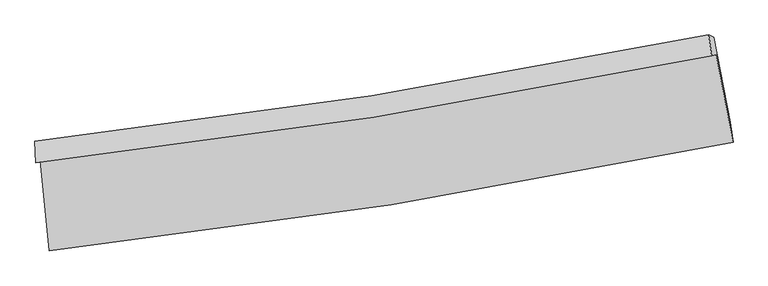
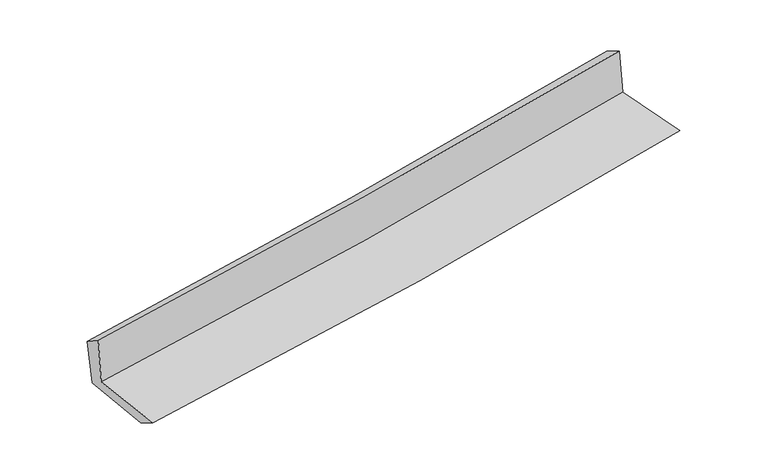
"""IFC4 building model written with IfcOpenShell, lengths in millimetres: proxy geometry."""

from ifc_helpers import new_model, si_unit, frame, origin, place, context, project, spatial, source, transform, mapped, element, save
from ifc_brep_helpers import plane_surface, spline_curve, spline_surface, advanced_brep


def generic_models_24daff72(model_context):
    return source(origin(), model_context, "Body", "AdvancedBrep", [
        advanced_brep(
        [(-2513.0248811, -1875.1380617, 1650.7032106), (-2447.552134, -2538.8820454, 1654.9261657), (2594.9418336, -1738.2594189, 2092.4256044), (2470.3708474, -1093.7376041, 2098.829766), (-2546.0810122, -1890.7312295, 2052.2416177), (2437.236451, -1100.5796819, 2491.2036999), (-2553.1094409, -1732.7190354, 1951.9257995), (2415.5093296, -947.5068328, 2403.2237061), (-2518.2749112, -1749.237607, 1566.7117321), (2452.8217066, -965.863552, 2018.4849131), (-2455.5042382, -2371.3932137, 1554.4210739), (2574.1503151, -1591.3296415, 2007.2513837)],
        [
            (0, 1),
            (1, 2, spline_curve(3, [(-2447.552134, -2538.8820454, 1654.9261657), (-1603.988096032, -2445.017786183, 1728.919422075), (-763.251953467, -2331.626347063, 1802.26676888), (917.613552304, -2064.988178582, 1948.107722687), (1757.708731863, -1911.505408375, 2020.593522031), (2594.9418336, -1738.2594189, 2092.4256044)], [4, 2, 4], [0.0, 8.334050081559058, 16.71831891434134])),
            (2, 3),
            (3, 0, spline_curve(3, [(2470.3708474, -1093.7376041, 2098.829766), (1642.703234726, -1259.811753456, 2026.812143674), (812.330917392, -1408.107889494, 1953.342931612), (-848.833295611, -1668.362378549, 1803.950076214), (-1679.592887568, -1780.533061833, 1728.043769851), (-2513.0248811, -1875.1380617, 1650.7032106)], [4, 2, 4], [0.0, 8.384268832782281, 16.71831891434134])),
            (4, 0),
            (3, 5),
            (5, 4, spline_curve(3, [(2437.236451, -1100.5796819, 2491.2036999), (1609.343180417, -1271.408001173, 2430.403795352), (778.864934625, -1422.80772734, 2363.294895251), (-882.271760104, -1685.959532898, 2216.898850308), (-1712.899335078, -1797.943656133, 2137.687056404), (-2546.0810122, -1890.7312295, 2052.2416177)], [4, 2, 4], [0.0, 8.335193727036158, 16.620462645061092])),
            (6, 4),
            (5, 7),
            (7, 6, spline_curve(3, [(2415.5093296, -947.5068328, 2403.2237061), (1590.032181727, -1115.928864835, 2339.238917728), (761.990628904, -1265.714972501, 2269.508188531), (-894.246255511, -1527.229796926, 2119.006926943), (-1722.410959731, -1639.181090003, 2038.30502046), (-2553.1094409, -1732.7190354, 1951.9257995)], [4, 2, 4], [0.0, 8.324205902724357, 16.598552809548522])),
            (8, 6),
            (7, 9),
            (9, 8, spline_curve(3, [(2452.8217066, -965.863552, 2018.4849131), (1627.248063318, -1132.549611278, 1947.778409821), (798.950678285, -1281.31623952, 1874.657074154), (-858.114058376, -1542.226905288, 1724.037172493), (-1686.848879109, -1654.584962269, 1646.567447855), (-2518.2749112, -1749.237607, 1566.7117321)], [4, 2, 4], [0.0, 8.31406027790752, 16.578322328554172])),
            (10, 8),
            (9, 11),
            (11, 10, spline_curve(3, [(2574.1503151, -1591.3296415, 2007.2513837), (1737.027481629, -1750.949743373, 1937.644586611), (898.063658862, -1895.916471618, 1864.982828467), (-778.509846405, -2155.76265131, 1714.002905019), (-1616.09754176, -2270.817113713, 1635.721226826), (-2455.5042382, -2371.3932137, 1554.4210739)], [4, 2, 4], [0.0, 8.362341963796574, 16.67459651041952])),
            (1, 10),
            (11, 2),
        ],
        [
            spline_surface(3, 3, [[(-2513.0248811, -1875.1380617, 1650.7032106), (-1679.592887665, -1780.53306175, 1728.043769851), (-848.833295543, -1668.362378624, 1803.950076218), (812.330917324, -1408.107889418, 1953.342931608), (1642.703234731, -1259.811753345, 2026.81214371), (2470.3708474, -1093.7376041, 2098.829766)], [(-2491.200632089, -2096.386056244, 1652.110862305), (-1654.39129048, -2002.027969834, 1728.335653927), (-820.306181471, -1889.450368135, 1803.388973786), (847.425128946, -1627.067985761, 1951.597861983), (1681.038400492, -1477.04297172, 2024.73926984), (2511.894509488, -1308.578209019, 2096.695045443)], [(-2469.376383011, -2317.634050856, 1653.518513995), (-1629.189693228, -2223.522877984, 1728.627537988), (-791.779067413, -2110.538357666, 1802.82787131), (882.519340555, -1846.028082124, 1949.852792314), (1719.37356619, -1694.274190136, 2022.66639604), (2553.418171512, -1523.418813981, 2094.560324957)], [(-2447.552134, -2538.8820454, 1654.9261657), (-1603.988096043, -2445.017786067, 1728.919422064), (-763.251953341, -2331.626347177, 1802.266768878), (917.613552177, -2064.988178468, 1948.10772269), (1757.708731951, -1911.505408511, 2020.593522169), (2594.9418336, -1738.2594189, 2092.4256044)]], [4, 4], [4, 2, 4], [0.0, 2.188102378129992], [0.0, 8.334050081559058, 16.71831891434134]),
            spline_surface(3, 3, [[(-2546.0810122, -1890.7312295, 2052.2416177), (-1712.899335018, -1797.943656153, 2137.687056435), (-882.27175998, -1685.959532944, 2216.898850306), (778.864934501, -1422.807727293, 2363.294895253), (1609.343180516, -1271.408001285, 2430.403795458), (2437.236451, -1100.5796819, 2491.2036999)], [(-2535.062301825, -1885.533506921, 1918.39548202), (-1701.797185893, -1792.140124706, 2001.139294261), (-871.125605169, -1680.09381485, 2079.249258933), (790.020262107, -1417.907781347, 2226.644240693), (1620.463198574, -1267.542585316, 2295.873244899), (2448.281249787, -1098.298989311, 2360.412388624)], [(-2524.043591475, -1880.335784279, 1784.54934628), (-1690.695036791, -1786.336593197, 1864.591532026), (-859.979450355, -1674.228096718, 1941.599667592), (801.175589717, -1413.007835364, 2089.993586167), (1631.583216673, -1263.677169314, 2161.342694269), (2459.326048613, -1096.018296689, 2229.621077276)], [(-2513.0248811, -1875.1380617, 1650.7032106), (-1679.592887665, -1780.53306175, 1728.043769851), (-848.833295543, -1668.362378624, 1803.950076218), (812.330917324, -1408.107889418, 1953.342931608), (1642.703234731, -1259.811753345, 2026.81214371), (2470.3708474, -1093.7376041, 2098.829766)]], [4, 4], [4, 2, 4], [0.0, 1.3553619328665758], [0.0, 8.285268918024935, 16.620462645061092]),
            spline_surface(3, 3, [[(-2553.1094409, -1732.7190354, 1951.9257995), (-1722.410959634, -1639.181090118, 2038.30502054), (-894.246255579, -1527.229796953, 2119.006926928), (761.990628973, -1265.714972474, 2269.508188546), (1590.032181761, -1115.928864743, 2339.238917705), (2415.5093296, -947.5068328, 2403.2237061)], [(-2550.766631324, -1785.389766768, 1985.364405553), (-1719.240418086, -1692.101945464, 2071.432365825), (-890.254757062, -1580.139708956, 2151.637568049), (767.615397467, -1318.079224086, 2300.77042411), (1596.469181366, -1167.755243584, 2369.627210278), (2422.751703421, -998.531115827, 2432.550370688)], [(-2548.423821776, -1838.060498132, 2018.803011647), (-1716.069876566, -1745.022800807, 2104.55971115), (-886.263258498, -1633.049620941, 2184.268209185), (773.240166007, -1370.443475681, 2332.032659689), (1602.90618091, -1219.581622443, 2400.015502886), (2429.994077179, -1049.555398873, 2461.877035312)], [(-2546.0810122, -1890.7312295, 2052.2416177), (-1712.899335018, -1797.943656153, 2137.687056435), (-882.27175998, -1685.959532944, 2216.898850306), (778.864934501, -1422.807727293, 2363.294895253), (1609.343180516, -1271.408001285, 2430.403795458), (2437.236451, -1100.5796819, 2491.2036999)]], [4, 4], [4, 2, 4], [0.0, 0.6078476256912435], [0.0, 8.274346906824166, 16.598552809548522]),
            spline_surface(3, 3, [[(-2518.2749112, -1749.237607, 1566.7117321), (-1686.848879206, -1654.584962329, 1646.567447846), (-858.114058381, -1542.226905404, 1724.037172503), (798.95067829, -1281.316239404, 1874.657074144), (1627.248063424, -1132.549611345, 1947.778409843), (2452.8217066, -965.863552, 2018.4849131)], [(-2529.886421109, -1743.73141646, 1695.11642123), (-1698.702906024, -1649.450338252, 1777.146638741), (-870.158124104, -1537.227869251, 1855.693757309), (786.63066186, -1276.115817091, 2006.274112276), (1614.842769536, -1127.009362495, 2078.265245799), (2440.3842476, -959.744645617, 2146.731177435)], [(-2541.497930991, -1738.22522594, 1823.52111037), (-1710.556932815, -1644.315714195, 1907.725829646), (-882.202189856, -1532.228833106, 1987.350342121), (774.310645403, -1270.915394787, 2137.891150414), (1602.437475649, -1121.469113593, 2208.752081749), (2427.9467886, -953.625739183, 2274.977441765)], [(-2553.1094409, -1732.7190354, 1951.9257995), (-1722.410959634, -1639.181090118, 2038.30502054), (-894.246255579, -1527.229796953, 2119.006926928), (761.990628973, -1265.714972474, 2269.508188546), (1590.032181761, -1115.928864743, 2339.238917705), (2415.5093296, -947.5068328, 2403.2237061)]], [4, 4], [4, 2, 4], [0.0, 1.302141426816023], [0.0, 8.264262050646652, 16.578322328554172]),
            spline_surface(3, 3, [[(-2455.5042382, -2371.3932137, 1554.4210739), (-1616.097541636, -2270.81711367, 1635.721226822), (-778.50984649, -2155.762651262, 1714.002905134), (898.063658947, -1895.916471667, 1864.982828352), (1737.027481581, -1750.949743386, 1937.644586678), (2574.1503151, -1591.3296415, 2007.2513837)], [(-2476.427795865, -2164.00801145, 1558.517959967), (-1639.681320824, -2065.40639654, 1639.336633831), (-805.044583774, -1951.25073595, 1717.347660935), (865.02599874, -1691.049727554, 1868.20757696), (1700.434342191, -1544.816366035, 1941.022527741), (2533.707445595, -1382.840944996, 2010.995893508)], [(-2497.351353535, -1956.62280925, 1562.614846033), (-1663.265100017, -1859.99567946, 1642.952040838), (-831.579321096, -1746.738820716, 1720.692416702), (831.988338497, -1486.182983517, 1871.432325535), (1663.841202814, -1338.682988696, 1944.40046878), (2493.264576105, -1174.352248504, 2014.740403292)], [(-2518.2749112, -1749.237607, 1566.7117321), (-1686.848879206, -1654.584962329, 1646.567447846), (-858.114058381, -1542.226905404, 1724.037172503), (798.95067829, -1281.316239404, 1874.657074144), (1627.248063424, -1132.549611345, 1947.778409843), (2452.8217066, -965.863552, 2018.4849131)]], [4, 4], [4, 2, 4], [0.0, 2.0361730158430045], [0.0, 8.312254546622945, 16.67459651041952]),
            spline_surface(3, 3, [[(-2447.552134, -2538.8820454, 1654.9261657), (-1603.988096043, -2445.017786067, 1728.919422064), (-763.251953341, -2331.626347177, 1802.266768878), (917.613552177, -2064.988178468, 1948.10772269), (1757.708731951, -1911.505408511, 2020.593522169), (2594.9418336, -1738.2594189, 2092.4256044)], [(-2450.202835388, -2483.052434858, 1621.424468424), (-1608.024577895, -2386.950895293, 1697.853356974), (-768.337917734, -2273.005115222, 1772.845480955), (911.096921091, -2008.630942884, 1920.399424569), (1750.814981805, -1857.986853465, 1992.943877007), (2588.01132741, -1689.282826429, 2064.034197502)], [(-2452.853536812, -2427.222824242, 1587.922771176), (-1612.061059784, -2328.884004445, 1666.787291912), (-773.423882097, -2214.383883217, 1743.424193056), (904.580290033, -1952.273707251, 1892.691126472), (1743.921231728, -1804.468298432, 1965.29423184), (2581.08082129, -1640.306233971, 2035.642790598)], [(-2455.5042382, -2371.3932137, 1554.4210739), (-1616.097541636, -2270.81711367, 1635.721226822), (-778.50984649, -2155.762651262, 1714.002905134), (898.063658947, -1895.916471667, 1864.982828352), (1737.027481581, -1750.949743386, 1937.644586678), (2574.1503151, -1591.3296415, 2007.2513837)]], [4, 4], [4, 2, 4], [0.0, 0.6343337380631191], [0.0, 8.371053502971153, 16.792548729861412]),
            plane_surface(frame((2490.8384139, -1239.5461219, 2185.2365122), z_axis=(0.9783591273004595, 0.18824039007830243, 0.08590095209630629), x_axis=(-0.09641952220085616, 0.047435897460330535, 0.9942097924335144))),
            plane_surface(frame((-2505.5911029, -2026.3501988, 1738.4882666), z_axis=(-0.9914777639236778, -0.0983445255546946, -0.08544119579175984), x_axis=(-0.09816317488696723, 0.9951501914755648, -0.006331469202130321))),
        ],
        [
            (0, [[1, 2, 3, 4]]),
            (1, [[5, -4, 6, 7]]),
            (2, [[8, -7, 9, 10]]),
            (3, [[11, -10, 12, 13]]),
            (4, [[14, -13, 15, 16]]),
            (5, [[17, -16, 18, -2]]),
            (6, [[-12, -9, -6, -3, -18, -15]]),
            (7, [[-1, -5, -8, -11, -14, -17]]),
        ],
    ),
    ])


if __name__ == "__main__":
    model = new_model("IFC4")
    model_context = context("Model", 3, world=origin())
    ifc_project = project(units=[si_unit("LENGTHUNIT", "METRE", prefix="MILLI")], contexts=[model_context])
    site = spatial("IfcSite", under=ifc_project)
    building = spatial("IfcBuilding", under=site)
    placement = place(None, origin())
    generic_models_shape = generic_models_24daff72(model_context)
    element("IfcBuildingElementProxy", 1, Name="Generic Models", at=placement, inside=building, context=model_context, shape_type="MappedRepresentation", body=[
        mapped(generic_models_shape, transform((0.0, 0.0, 0.0), x_axis=(1.0, 0.0, 0.0), y_axis=(0.0, 1.0, 0.0), z_axis=(0.0, 0.0, 1.0))),
    ])
    save(model, "model.ifc")
